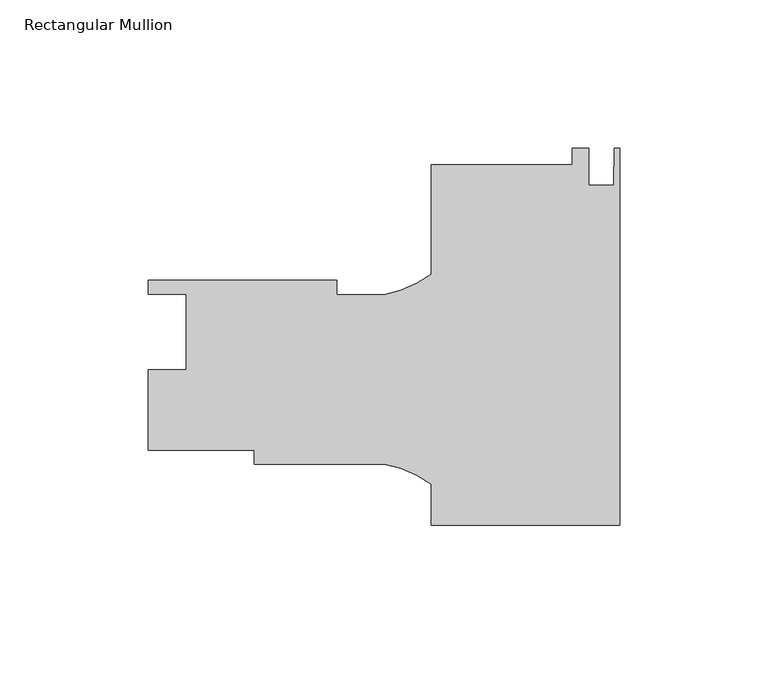
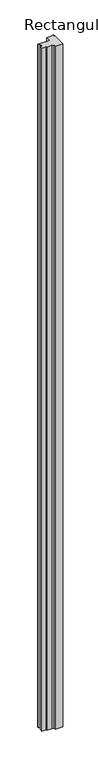
"""IFC4 building model written with IfcOpenShell, lengths in millimetres: member geometry, Rectangular Mullion."""

from ifc_helpers import new_model, si_unit, point, frame, frame_2d, origin, place, context, project, spatial, polyline, circle_curve, trimmed, segment, composite_curve, outline, extrude, source, transform, mapped, element, save


def rectangular_mullion_4f588f9d(model_context):
    return source(origin(), model_context, "Body", "SweptSolid", [
        extrude(outline(composite_curve([segment(polyline([(0.0, -61.6841756), (-63.5, -61.6841756), (-63.5, -47.9010909)]), True, "CONTINUOUS"), segment(trimmed(circle_curve(frame_2d((-85.6843006, -77.445128)), 36.945816), [point((-63.5, -47.9010909))], [point((-79.3172861, -41.0520731))], True, "CARTESIAN"), True, "CONTINUOUS"), segment(polyline([(-79.3172861, -41.0520731), (-123.1500517, -41.0520731), (-123.1500517, -36.2895731), (-158.75, -36.2895731), (-158.75, -9.2385731), (-146.05, -9.2385731), (-146.05, 16.1614269), (-158.75, 16.1614269), (-158.75, 20.8604269), (-95.25, 20.8604269), (-95.25, 16.0979269), (-79.3187366, 16.0979269)]), True, "CONTINUOUS"), segment(trimmed(circle_curve(frame_2d((-85.6843006, 52.4912356)), 36.945816), [point((-79.3187366, 16.0979269))], [point((-63.5, 22.9471985))], True, "CARTESIAN"), True, "CONTINUOUS"), segment(polyline([(-63.5, 22.9471985), (-63.5, 59.7532244), (-15.875, 59.7532244), (-15.875, 65.3293362), (-10.3124, 65.3293362), (-10.3124, 52.9714244), (-2.032, 52.9714244), (-1.778, 65.3158244), (0.0, 65.3158244), (0.0, -61.6841756)]), True, "CONTINUOUS")], self_intersect=False)), frame((0.0, 0.0, -6032.5), z_axis=(0.0, 0.0, 1.0), x_axis=(1.0, 0.0, 0.0)), (0.0, 0.0, 1.0), 6032.5),
    ])


if __name__ == "__main__":
    model = new_model("IFC4")
    model_context = context("Model", 3, world=origin())
    ifc_project = project(units=[si_unit("LENGTHUNIT", "METRE", prefix="MILLI")], contexts=[model_context])
    site = spatial("IfcSite", under=ifc_project)
    building = spatial("IfcBuilding", under=site)
    placement = place(None, origin())
    rectangular_mullion_shape = rectangular_mullion_4f588f9d(model_context)
    element("IfcMember", 1, ObjectType="Rectangular Mullion", at=placement, inside=building, context=model_context, shape_type="MappedRepresentation", body=[
        mapped(rectangular_mullion_shape, transform((0.0, 0.0, 0.0), x_axis=(1.0, 0.0, 0.0), y_axis=(0.0, 1.0, 0.0), z_axis=(0.0, 0.0, 1.0))),
    ])
    save(model, "model.ifc")
